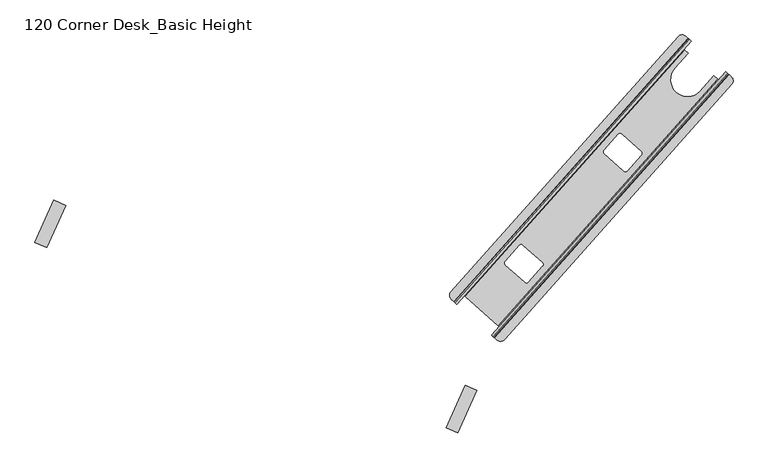
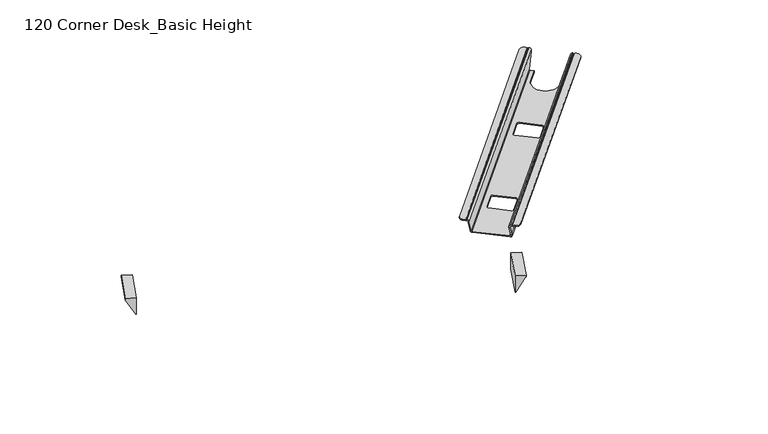
"""IFC4 building model written with IfcOpenShell, lengths in millimetres: furniture geometry, 120 Corner Desk_Basic Height."""

import ifcopenshell
import ifcopenshell.guid

model = None  # the IFC model being written
_history = None  # IfcOwnerHistory: only IFC2X3 demands one
_inside = {}  # id of a spatial element -> (the spatial element, [elements in it])
_under = {}  # id of a project, library or spatial element -> (it, [spatial elements below it])
_declared = {}  # id of a project -> (the project, [libraries it declares])
_typed = {}  # id of a type object -> (the type object, [elements of that type])
_made_of = {}  # id of a material, layer set ... -> (it, [elements and type objects made of it])


def new_model(schema):
    """Start an empty IFC model of exactly this schema.

    Asked for "IFC4X3", IfcOpenShell would pick the latest addendum, in which some entities
    have other attributes; the version numbers below select the first issue.
    IFC2X3 requires an IfcOwnerHistory on every rooted entity: one is made here for all.
    """
    global model, _history
    if schema == "IFC4X3":
        model = ifcopenshell.file(schema_version=(4, 3, 0, 0))
    else:
        model = ifcopenshell.file(schema=schema)
    _inside.clear()
    _under.clear()
    _declared.clear()
    _typed.clear()
    _made_of.clear()
    _history = None
    if model.schema == "IFC2X3":
        org = make("IfcOrganization", Name="unknown")
        user = make(
            "IfcPersonAndOrganization",
            ThePerson=make("IfcPerson", FamilyName="unknown"),
            TheOrganization=org,
        )
        app = make(
            "IfcApplication",
            ApplicationDeveloper=org,
            Version="unknown",
            ApplicationFullName="unknown",
            ApplicationIdentifier="unknown",
        )
        _history = make(
            "IfcOwnerHistory",
            OwningUser=user,
            OwningApplication=app,
            ChangeAction="ADDED",
            CreationDate=0,
        )
    return model


def make(cls, **values):
    """One entity of the class cls with the attributes given. An attribute that is None is left unset."""
    return model.create_entity(
        cls, **{name: value for name, value in values.items() if value is not None}
    )


def rooted(cls, **values):
    """An entity with a GlobalId (a new one), such as an element, a storey or a relation."""
    return make(cls, GlobalId=ifcopenshell.guid.new(), OwnerHistory=_history, **values)


def si_unit(unit_type, name, prefix=None):
    """IfcSIUnit, for example si_unit("LENGTHUNIT", "METRE", prefix="MILLI")."""
    return make("IfcSIUnit", UnitType=unit_type, Prefix=prefix, Name=name)


def assignment(units):
    """IfcUnitAssignment: the units of a project."""
    return None if units is None else make("IfcUnitAssignment", Units=units)


def point(xyz):
    """IfcCartesianPoint."""
    return None if xyz is None else make("IfcCartesianPoint", Coordinates=xyz)


def direction(xyz):
    """IfcDirection."""
    return None if xyz is None else make("IfcDirection", DirectionRatios=xyz)


def frame(location, z_axis=None, x_axis=None):
    """IfcAxis2Placement3D, a coordinate frame: its origin and axes. An axis left out is left unset."""
    return make(
        "IfcAxis2Placement3D",
        Location=point(location),
        Axis=direction(z_axis),
        RefDirection=direction(x_axis),
    )


def frame_2d(location, x_axis=None):
    """IfcAxis2Placement2D, a coordinate frame in the plane: its origin and x axis."""
    return make(
        "IfcAxis2Placement2D", Location=point(location), RefDirection=direction(x_axis)
    )


def origin():
    """The frame at (0, 0, 0) with its axes left unset."""
    return frame((0.0, 0.0, 0.0))


def place(relative_to, where):
    """IfcLocalPlacement: puts the frame where relative to a parent placement (None: the world)."""
    return make(
        "IfcLocalPlacement", PlacementRelTo=relative_to, RelativePlacement=where
    )


def context(
    kind, dimensions, precision=None, world=None, true_north=None, identifier=None
):
    """IfcGeometricRepresentationContext, for example the 3D "Model" context."""
    return make(
        "IfcGeometricRepresentationContext",
        ContextIdentifier=identifier,
        ContextType=kind,
        CoordinateSpaceDimension=dimensions,
        Precision=precision,
        WorldCoordinateSystem=world,
        TrueNorth=true_north,
    )


def project(units=None, contexts=None):
    """IfcProject with its units and contexts."""
    return rooted(
        "IfcProject",
        Name="project",
        RepresentationContexts=contexts,
        UnitsInContext=assignment(units),
    )


def spatial(cls, under=None, at=None, **own):
    """A site, building, storey or space (cls), placed at a placement, below another one or the project."""
    s = rooted(cls, ObjectPlacement=at, **own)
    if under is not None:
        _under.setdefault(under.id(), (under, []))[1].append(s)
    return s


def polyline(points):
    """IfcPolyline through the points."""
    return make("IfcPolyline", Points=[point(p) for p in points])


def circle_curve(where, radius):
    """IfcCircle in the frame where."""
    return make("IfcCircle", Position=where, Radius=radius)


def ellipse_curve(where, semi_axis1, semi_axis2):
    """IfcEllipse in the frame where."""
    return make(
        "IfcEllipse", Position=where, SemiAxis1=semi_axis1, SemiAxis2=semi_axis2
    )


def trimmed(basis, trim1, trim2, sense, master):
    """IfcTrimmedCurve: the piece of a basis curve between two trims."""
    return make(
        "IfcTrimmedCurve",
        BasisCurve=basis,
        Trim1=trim1,
        Trim2=trim2,
        SenseAgreement=sense,
        MasterRepresentation=master,
    )


def segment(curve, same_sense, transition):
    """IfcCompositeCurveSegment."""
    return make(
        "IfcCompositeCurveSegment",
        Transition=transition,
        SameSense=same_sense,
        ParentCurve=curve,
    )


def composite_curve(segments, self_intersect=None):
    """IfcCompositeCurve: segments joined end to end."""
    return make("IfcCompositeCurve", Segments=segments, SelfIntersect=self_intersect)


def outline(outer, holes=None, kind="AREA"):
    """IfcArbitraryClosedProfileDef: a profile drawn as a closed curve; with holes, ...WithVoids."""
    if holes is None:
        return make("IfcArbitraryClosedProfileDef", ProfileType=kind, OuterCurve=outer)
    return make(
        "IfcArbitraryProfileDefWithVoids",
        ProfileType=kind,
        OuterCurve=outer,
        InnerCurves=holes,
    )


def extrude(swept, where, along, depth):
    """IfcExtrudedAreaSolid: the profile swept, set in the frame where, extruded along a direction by depth."""
    return make(
        "IfcExtrudedAreaSolid",
        SweptArea=swept,
        Position=where,
        ExtrudedDirection=direction(along),
        Depth=depth,
    )


def shape(context_of_items, identifier, shape_type, items):
    """IfcShapeRepresentation: the items that make up one representation, for example the "Body"."""
    return make(
        "IfcShapeRepresentation",
        ContextOfItems=context_of_items,
        RepresentationIdentifier=identifier,
        RepresentationType=shape_type,
        Items=items,
    )


def source(mapping_origin, context_of_items, identifier, shape_type, items):
    """IfcRepresentationMap: a shape defined once, which mapped items show again and again."""
    return make(
        "IfcRepresentationMap",
        MappingOrigin=mapping_origin,
        MappedRepresentation=shape(context_of_items, identifier, shape_type, items),
    )


def transform(
    local_origin,
    x_axis=None,
    y_axis=None,
    z_axis=None,
    scale=None,
    scale2=None,
    scale3=None,
    uniform=True,
):
    """IfcCartesianTransformationOperator3D, or its non-uniform kind. x_axis, y_axis, z_axis: its Axis1, 2, 3."""
    if uniform:
        return make(
            "IfcCartesianTransformationOperator3D",
            Axis1=direction(x_axis),
            Axis2=direction(y_axis),
            LocalOrigin=point(local_origin),
            Scale=scale,
            Axis3=direction(z_axis),
        )
    return make(
        "IfcCartesianTransformationOperator3DnonUniform",
        Axis1=direction(x_axis),
        Axis2=direction(y_axis),
        LocalOrigin=point(local_origin),
        Scale=scale,
        Axis3=direction(z_axis),
        Scale2=scale2,
        Scale3=scale3,
    )


def mapped(mapping_source, mapping_target):
    """IfcMappedItem: shows the shape of a source again, moved by a transform."""
    return make(
        "IfcMappedItem", MappingSource=mapping_source, MappingTarget=mapping_target
    )


def made_of(thing, what):
    """Note that an element or type object is made of a material, layer set ...; save() writes the relation."""
    if what is not None:
        _made_of.setdefault(what.id(), (what, []))[1].append(thing)
    return thing


def element(
    cls,
    number,
    at=None,
    inside=None,
    cuts=None,
    type_object=None,
    material=None,
    context=None,
    identifier="Body",
    shape_type=None,
    held_by="IfcProductDefinitionShape",
    body=None,
    shapes=None,
    **own,
):
    """One element of the class cls, such as IfcWall. Its Tag is "e" and its number.

    at: its placement. inside: the storey or other place that contains it. cuts: it is an
    opening in that element (IfcRelVoidsElement). A single representation is given by context,
    identifier, shape_type and body (its items); several are given by shapes. held_by: the class
    of the entity that holds the representations. save() writes the other relations.
    """
    e = rooted(cls, Tag="e%d" % number, ObjectPlacement=at, **own)
    if body is not None:
        shapes = [shape(context, identifier, shape_type, body)]
    if shapes is not None:
        e.Representation = make(held_by, Representations=shapes)
    if inside is not None:
        _inside.setdefault(inside.id(), (inside, []))[1].append(e)
    if cuts is not None:
        rooted(
            "IfcRelVoidsElement", RelatingBuildingElement=cuts, RelatedOpeningElement=e
        )
    if type_object is not None:
        _typed.setdefault(type_object.id(), (type_object, []))[1].append(e)
    return made_of(e, material)


def aggregate(whole, parts):
    """IfcRelAggregates: a whole, such as a stair, and the parts it consists of."""
    return rooted("IfcRelAggregates", RelatingObject=whole, RelatedObjects=parts)


def save(model, path):
    """Write the relations noted so far, then the file.

    IfcRelAggregates (storeys below a building ...), IfcRelContainedInSpatialStructure (elements
    in a storey), IfcRelDefinesByType, IfcRelAssociatesMaterial and IfcRelDeclares: one each for
    every whole, place, type object, material and project.
    """
    for whole, parts in _under.values():
        aggregate(whole, parts)
    for where, things in _inside.values():
        rooted(
            "IfcRelContainedInSpatialStructure",
            RelatedElements=things,
            RelatingStructure=where,
        )
    for kind, things in _typed.values():
        rooted("IfcRelDefinesByType", RelatedObjects=things, RelatingType=kind)
    for what, things in _made_of.values():
        rooted("IfcRelAssociatesMaterial", RelatedObjects=things, RelatingMaterial=what)
    for by, libraries in _declared.values():
        rooted("IfcRelDeclares", RelatingContext=by, RelatedDefinitions=libraries)
    model.write(path)


def plane_surface(at):
    """IfcPlane: the flat surface through the origin of the frame at, square to its z axis."""
    return make("IfcPlane", Position=at)


def cylinder_surface(at, radius):
    """IfcCylindricalSurface: all points at the distance radius from the z axis of the frame at."""
    return make("IfcCylindricalSurface", Position=at, Radius=radius)


def revolved_surface(curve, axis_point, axis_direction):
    """IfcSurfaceOfRevolution: the curve turned about the line through axis_point along axis_direction."""
    return make(
        "IfcSurfaceOfRevolution",
        SweptCurve=make("IfcArbitraryOpenProfileDef", ProfileType="CURVE", Curve=curve),
        AxisPosition=make("IfcAxis1Placement", Location=point(axis_point), Axis=direction(axis_direction)),
    )


def advanced_brep(points, edges, surfaces, faces):
    """IfcAdvancedBrep: a solid bounded by faces that lie on surfaces and meet in shared edges.

    An edge is (start, end): straight between two places in points (the first is 0);
    or (start, end, curve); or (start, end, curve, False) where it runs against its curve.
    A face is (place in surfaces, loops), or (place, loops, False) where it looks against
    its surface's normal. A loop lists edges by number (the first is 1), with a minus sign
    where the edge is run from its end to its start. The first loop is the outer one.
    """
    corners = [point(p) for p in points]
    vertices = [make("IfcVertexPoint", VertexGeometry=c) for c in corners]
    made = []
    for start, end, *more in edges:
        made.append(
            make(
                "IfcEdgeCurve",
                EdgeStart=vertices[start],
                EdgeEnd=vertices[end],
                EdgeGeometry=more[0] if more else make("IfcPolyline", Points=[corners[start], corners[end]]),
                SameSense=more[1] if len(more) > 1 else True,
            )
        )
    hull = []
    for where, loops, *sense in faces:
        bounds = []
        for j, loop in enumerate(loops):
            ring = [make("IfcOrientedEdge", EdgeElement=made[abs(k) - 1], Orientation=k > 0) for k in loop]
            bounds.append(
                make(
                    "IfcFaceOuterBound" if j == 0 else "IfcFaceBound",
                    Bound=make("IfcEdgeLoop", EdgeList=ring),
                    Orientation=True,
                )
            )
        hull.append(make("IfcAdvancedFace", Bounds=bounds, FaceSurface=surfaces[where], SameSense=sense[0] if sense else True))
    return make("IfcAdvancedBrep", Outer=make("IfcClosedShell", CfsFaces=hull))


def furniture_120_corner_desk_basic_height_7b264336(model_context):
    return source(origin(), model_context, "Body", "SolidModel", [
        advanced_brep(
        [(1566.8161363, 39.7550029, 693.6399265), (1566.8161363, 39.7550029, 689.6804247), (1564.5829714, 41.7409496, 689.6804247), (1564.5829714, 41.7409496, 693.5914043), (1568.3790414, 38.3651161, 698.6714043), (1569.6105021, 37.2699819, 698.6714043), (1569.6105021, 37.2699819, 695.6719265), (1568.3345642, 38.4046695, 695.6719265), (1491.7959658, 106.4702115, 693.5914044), (1491.7959658, 106.4702115, 689.6804247), (1489.5628023, 108.456157, 689.6804247), (1489.5628023, 108.456157, 693.6399266), (1488.0443744, 109.8064903, 695.6719264), (1486.4088054, 111.2609969, 695.6719264), (1486.4088054, 111.2609969, 698.6714043), (1487.9998959, 109.846045, 698.6714043), (997.875542, -444.4381952, 693.6399266), (997.875542, -444.4381952, 691.4041642), (1000.1087054, -446.4241407, 691.4041642), (1000.1087054, -446.4241407, 693.5914044), (996.3126355, -443.0483073, 698.6714043), (994.721545, -441.6333553, 698.6714043), (994.721545, -441.6333553, 695.6719264), (996.357114, -443.0878619, 695.6719264), (1072.895711, -511.1534026, 693.5914043), (1072.895711, -511.1534026, 691.4041642), (1075.1288759, -513.1393494, 691.4041642), (1075.1288759, -513.1393494, 693.6399265), (1076.6473039, -514.4896827, 695.6719265), (1077.9232417, -515.6243704, 695.6719265), (1077.9232417, -515.6243704, 698.6714043), (1076.691781, -514.5292361, 698.6714043), (1142.6473917, -399.9494795, 645.6722168), (1101.9991892, -363.4082768, 645.6722168), (1101.9991892, -363.4082768, 648.6513268), (1142.6473917, -399.9494795, 648.6513268), (1101.5992935, -356.2545604, 645.6722168), (1101.5992935, -356.2545604, 648.6513268), (1131.3608318, -322.7881931, 645.6722168), (1131.3608318, -322.7881931, 648.6513268), (1138.553065, -322.3861336, 645.6722168), (1138.553065, -322.3861336, 648.6513268), (1179.3803274, -359.088083, 645.6722168), (1179.3803274, -359.088083, 648.6513268), (1179.7620416, -366.2621568, 645.6722168), (1179.7620416, -366.2621568, 648.6513268), (1149.8214434, -399.5677773, 645.6722168), (1149.8214434, -399.5677773, 648.6513268), (1350.1617613, -166.6029355, 645.6722168), (1309.5135588, -130.0617328, 645.6722168), (1309.5135588, -130.0617328, 648.6513268), (1350.1617613, -166.6029355, 648.6513268), (1309.1136631, -122.9080164, 645.6722168), (1309.1136631, -122.9080164, 648.6513268), (1338.8752014, -89.4416491, 645.6722168), (1338.8752014, -89.4416491, 648.6513268), (1346.0674346, -89.0395895, 645.6722168), (1346.0674346, -89.0395895, 648.6513268), (1386.894697, -125.741539, 645.6722168), (1386.894697, -125.741539, 648.6513268), (1387.2764112, -132.9156128, 645.6722168), (1387.2764112, -132.9156128, 648.6513268), (1357.335813, -166.2212332, 645.6722168), (1357.335813, -166.2212332, 648.6513268), (1551.5891587, 22.7873037, 650.192968), (1546.8987023, 25.7670694, 645.6722168), (1538.9030186, 32.8776066, 645.6722168), (1539.292904, 33.3160264, 648.6513268), (1547.3330649, 26.1659358, 648.6513268), (1549.2800962, 24.840746, 650.192968), (1476.7986169, 89.2983044, 650.192968), (1478.3421294, 87.5193642, 648.6513268), (1485.5401774, 81.1181621, 648.6513268), (1485.150292, 80.6797423, 645.6722168), (1477.9967226, 87.0413898, 645.6722168), (1474.4895557, 91.3517454, 650.192968), (1549.8158986, 25.1356157, 651.1913268), (1552.0754945, 23.1793902, 651.2602168), (1474.8221605, 91.8805443, 651.2602168), (1477.0288931, 89.8648776, 651.1913268), (1511.116621, 1.632253, 648.6513268), (1511.116621, 1.632253, 645.6722168), (1457.3638944, 49.4343887, 645.6722168), (1457.3638944, 49.4343887, 648.6513268), (1018.4221026, -429.742819, 645.6722168), (1013.7638392, -426.7268385, 650.1930164), (1013.2775292, -427.1189103, 651.2602168), (1087.3240823, -491.0171394, 645.6722168), (1090.5308631, -495.8200645, 651.2602168), (1090.8634563, -495.2912928, 650.1930164), (1088.3241291, -493.8043966, 651.1913268), (1086.9998974, -491.4712472, 648.6513268), (1088.5544022, -493.2378579, 650.1930164), (1018.008962, -430.1178188, 648.6513268), (1015.5371236, -429.0751346, 651.1913268), (1016.072892, -428.7802721, 650.1930164)],
        [
            (0, 1),
            (1, 2),
            (2, 3),
            (3, 4, circle_curve(frame((1568.3790414, 38.3651161, 693.5914043), z_axis=(0.6645341594952078, 0.7472578877897494, 0.0), x_axis=(0.7472578877897494, -0.6645341594952078, 0.0)), 5.0799999)),
            (4, 5),
            (5, 6),
            (6, 7),
            (7, 0, circle_curve(frame((1568.3345642, 38.4046695, 693.6399265), z_axis=(-0.6645341594952078, -0.7472578877897494, 0.0), x_axis=(0.7472578877897494, -0.6645341594952078, 0.0)), 2.0319999)),
            (8, 9),
            (9, 10),
            (10, 11),
            (11, 12, circle_curve(frame((1488.0443744, 109.8064903, 693.6399266), z_axis=(-0.6645341594952078, -0.7472578877897494, 0.0), x_axis=(0.7472578877897494, -0.6645341594952078, 0.0)), 2.0319999)),
            (12, 13),
            (13, 14),
            (14, 15),
            (15, 8, circle_curve(frame((1487.9998959, 109.846045, 693.5914044), z_axis=(0.6645341594952078, 0.7472578877897494, 0.0), x_axis=(0.7472578877897494, -0.6645341594952078, 0.0)), 5.0799999)),
            (16, 17),
            (17, 18),
            (18, 19),
            (19, 20, circle_curve(frame((996.3126355, -443.0483073, 693.5914044), z_axis=(-0.6645341594952078, -0.7472578877897494, 0.0), x_axis=(0.7472578877897494, -0.6645341594952078, 0.0)), 5.0799999)),
            (20, 21),
            (21, 22),
            (22, 23),
            (23, 16, circle_curve(frame((996.357114, -443.0878619, 693.6399266), z_axis=(0.6645341594952078, 0.7472578877897494, 0.0), x_axis=(0.7472578877897494, -0.6645341594952078, 0.0)), 2.0319999)),
            (24, 25),
            (25, 26),
            (26, 27),
            (27, 28, circle_curve(frame((1076.6473039, -514.4896827, 693.6399265), z_axis=(0.6645341594952078, 0.7472578877897494, 0.0), x_axis=(0.7472578877897494, -0.6645341594952078, 0.0)), 2.0319999)),
            (28, 29),
            (29, 30),
            (30, 31),
            (31, 24, circle_curve(frame((1076.691781, -514.5292361, 693.5914043), z_axis=(-0.6645341594952078, -0.7472578877897494, 0.0), x_axis=(0.7472578877897494, -0.6645341594952078, 0.0)), 5.0799999)),
            (32, 33),
            (33, 34),
            (34, 35),
            (35, 32),
            (33, 36, circle_curve(frame((1105.3953636, -359.6303939, 645.6722168), z_axis=(0.0, 0.0, -1.0), x_axis=(0.9991385936389271, 0.04149783971758992, 0.0)), 5.08)),
            (36, 37),
            (37, 34, circle_curve(frame((1105.3953636, -359.6303939, 648.6513268), z_axis=(0.0, 0.0, 1.0), x_axis=(0.9991385936389271, 0.04149783971758992, 0.0)), 5.08)),
            (36, 38),
            (38, 39),
            (39, 37),
            (38, 40, circle_curve(frame((1135.1569019, -326.1640267, 645.6722168), z_axis=(0.0, 0.0, -1.0), x_axis=(0.9991385936389271, 0.04149783971758992, 0.0)), 5.08)),
            (40, 41),
            (41, 39, circle_curve(frame((1135.1569019, -326.1640267, 648.6513268), z_axis=(0.0, 0.0, 1.0), x_axis=(0.9991385936389271, 0.04149783971758992, 0.0)), 5.08)),
            (40, 42),
            (42, 43),
            (43, 41),
            (42, 44, circle_curve(frame((1175.9841643, -362.8659761, 645.6722168), z_axis=(0.0, 0.0, -1.0), x_axis=(0.9991385936389271, 0.04149783971758992, 0.0)), 5.08)),
            (44, 45),
            (45, 43, circle_curve(frame((1175.9841643, -362.8659761, 648.6513268), z_axis=(0.0, 0.0, 1.0), x_axis=(0.9991385936389271, 0.04149783971758992, 0.0)), 5.08)),
            (44, 46),
            (46, 47),
            (47, 45),
            (35, 47, circle_curve(frame((1146.0435661, -396.1715966, 648.6513268), z_axis=(0.0, 0.0, 1.0), x_axis=(0.9991385936389271, 0.04149783971758992, 0.0)), 5.08)),
            (46, 32, circle_curve(frame((1146.0435661, -396.1715966, 645.6722168), z_axis=(0.0, 0.0, -1.0), x_axis=(0.9991385936389271, 0.04149783971758992, 0.0)), 5.08)),
            (48, 49),
            (49, 50),
            (50, 51),
            (51, 48),
            (49, 52, circle_curve(frame((1312.9097332, -126.2838499, 645.6722168), z_axis=(0.0, 0.0, -1.0), x_axis=(0.9991385936389271, 0.04149783971758992, 0.0)), 5.08)),
            (52, 53),
            (53, 50, circle_curve(frame((1312.9097332, -126.2838499, 648.6513268), z_axis=(0.0, 0.0, 1.0), x_axis=(0.9991385936389271, 0.04149783971758992, 0.0)), 5.08)),
            (52, 54),
            (54, 55),
            (55, 53),
            (54, 56, circle_curve(frame((1342.6712715, -92.8174826, 645.6722168), z_axis=(0.0, 0.0, -1.0), x_axis=(0.9991385936389271, 0.04149783971758992, 0.0)), 5.08)),
            (56, 57),
            (57, 55, circle_curve(frame((1342.6712715, -92.8174826, 648.6513268), z_axis=(0.0, 0.0, 1.0), x_axis=(0.9991385936389271, 0.04149783971758992, 0.0)), 5.08)),
            (56, 58),
            (58, 59),
            (59, 57),
            (58, 60, circle_curve(frame((1383.4985339, -129.5194321, 645.6722168), z_axis=(0.0, 0.0, -1.0), x_axis=(0.9991385936389271, 0.04149783971758992, 0.0)), 5.08)),
            (60, 61),
            (61, 59, circle_curve(frame((1383.4985339, -129.5194321, 648.6513268), z_axis=(0.0, 0.0, 1.0), x_axis=(0.9991385936389271, 0.04149783971758992, 0.0)), 5.08)),
            (60, 62),
            (62, 63),
            (63, 61),
            (51, 63, circle_curve(frame((1353.5579357, -162.8250525, 648.6513268), z_axis=(0.0, 0.0, 1.0), x_axis=(0.9991385936389271, 0.04149783971758992, 0.0)), 5.08)),
            (62, 48, circle_curve(frame((1353.5579357, -162.8250525, 645.6722168), z_axis=(0.0, 0.0, -1.0), x_axis=(0.9991385936389271, 0.04149783971758992, 0.0)), 5.08)),
            (64, 65, ellipse_curve(frame((1547.6300213, 26.5894257, 651.2602168), z_axis=(0.6520102594141531, 0.7331749652074585, -0.19322808287547327), x_axis=(0.128406661644523, 0.1443912090711886, 0.9811538656032852)), 5.695335, 5.588)),
            (65, 66),
            (66, 67),
            (67, 68),
            (68, 69, ellipse_curve(frame((1547.6654826, 26.5397342, 651.1913268), z_axis=(-0.6520102594141531, -0.7331749652074585, 0.19322808287547327), x_axis=(-0.128406661644523, -0.1443912090711886, -0.9811538656032852)), 2.5887887, 2.54)),
            (69, 64),
            (70, 71, ellipse_curve(frame((1478.6745471, 87.8931626, 651.1913268), z_axis=(-0.6520102594141531, -0.7331749652074585, 0.19322808287547327), x_axis=(-0.128406661644523, -0.1443912090711886, -0.9811538656032852)), 2.5887887, 2.54)),
            (71, 72),
            (72, 73),
            (73, 74),
            (74, 75, ellipse_curve(frame((1478.7280415, 87.8637461, 651.2602168), z_axis=(0.6520102594141531, 0.7331749652074585, -0.19322808287547327), x_axis=(0.128406661644523, 0.1443912090711886, 0.9811538656032852)), 5.695335, 5.588)),
            (75, 70),
            (69, 76, ellipse_curve(frame((1547.9178636, 26.8235325, 651.1913268), z_axis=(-0.5755034638054043, -0.6471443140042407, 0.4999999999999625), x_axis=(-0.3322670797475788, -0.37362894389484663, -0.8660254037844604)), 2.9329394, 2.54)),
            (76, 2),
            (1, 77),
            (77, 64, ellipse_curve(frame((1547.8998174, 26.892807, 651.2602168), z_axis=(0.5755034638054043, 0.6471443140042407, -0.4999999999999625), x_axis=(0.3322670797475788, 0.37362894389484663, 0.8660254037844604)), 6.4524666, 5.588)),
            (75, 78, ellipse_curve(frame((1478.9978376, 88.1671274, 651.2602168), z_axis=(0.5755034638054043, 0.6471443140042407, -0.4999999999999625), x_axis=(0.3322670797475788, 0.37362894389484663, 0.8660254037844604)), 6.4524666, 5.588)),
            (78, 10),
            (9, 79),
            (79, 70, ellipse_curve(frame((1478.9269281, 88.1769609, 651.1913268), z_axis=(-0.5755034638054043, -0.6471443140042407, 0.4999999999999625), x_axis=(-0.3322670797475788, -0.37362894389484663, -0.8660254037844604)), 2.9329394, 2.54)),
            (80, 67),
            (66, 81),
            (81, 80),
            (81, 82, circle_curve(frame((1484.2402577, 25.5333208, 645.6722168), z_axis=(0.0, 0.0, -1.0), x_axis=(0.9991385936389271, 0.04149783971758992, 0.0)), 35.9666505)),
            (82, 83),
            (83, 80, circle_curve(frame((1484.2402577, 25.5333208, 648.6513268), z_axis=(0.0, 0.0, 1.0), x_axis=(0.9991385936389271, 0.04149783971758992, 0.0)), 35.9666505)),
            (82, 73),
            (72, 83),
            (74, 84),
            (84, 85, ellipse_curve(frame((1017.7305929, -430.5204104, 651.2602168), z_axis=(0.6533031993089823, 0.7346288551558441, 0.1830720485084005), x_axis=(0.12165762988259482, 0.13680203228173032, -0.9830994990614825)), 5.6840635, 5.588)),
            (85, 86, ellipse_curve(frame((1017.4532062, -430.8323272, 651.2602168), z_axis=(0.5755034638054098, 0.6471443140042467, 0.4999999999999484), x_axis=(0.3322670797475692, 0.3736289438948363, -0.8660254037844686)), 6.4524666, 5.588)),
            (86, 78),
            (65, 87),
            (87, 84),
            (77, 88),
            (88, 89, ellipse_curve(frame((1086.355186, -492.1066476, 651.2602168), z_axis=(0.5755034638054098, 0.6471443140042467, 0.4999999999999484), x_axis=(0.3322670797475692, 0.3736289438948363, -0.8660254037844686)), 6.4524666, 5.588)),
            (89, 87, ellipse_curve(frame((1086.6325726, -491.7947308, 651.2602168), z_axis=(0.6533031993089823, 0.7346288551558441, 0.1830720485084005), x_axis=(0.12165762988259482, 0.13680203228173032, -0.9830994990614825)), 5.6840635, 5.588)),
            (26, 88),
            (0, 27),
            (7, 28),
            (6, 29),
            (5, 30),
            (4, 31),
            (3, 24),
            (76, 90),
            (90, 25),
            (68, 91),
            (91, 92, ellipse_curve(frame((1086.6855749, -491.8246979, 651.1913268), z_axis=(-0.6533031993089823, -0.7346288551558441, -0.1830720485084005), x_axis=(-0.12165762988259482, -0.13680203228173032, 0.9830994990614825)), 2.5836652, 2.54)),
            (92, 90, ellipse_curve(frame((1086.4260941, -492.1164798, 651.1913268), z_axis=(-0.5755034638054098, -0.6471443140042467, -0.4999999999999484), x_axis=(-0.3322670797475692, -0.3736289438948363, 0.8660254037844686)), 2.9329394, 2.54)),
            (71, 93),
            (93, 91),
            (79, 94),
            (94, 95, ellipse_curve(frame((1017.4351586, -430.7630514, 651.1913268), z_axis=(-0.5755034638054098, -0.6471443140042467, -0.4999999999999484), x_axis=(-0.3322670797475692, -0.3736289438948363, 0.8660254037844686)), 2.9329394, 2.54)),
            (95, 93, ellipse_curve(frame((1017.6946394, -430.4712695, 651.1913268), z_axis=(-0.6533031993089823, -0.7346288551558441, -0.1830720485084005), x_axis=(-0.12165762988259482, -0.13680203228173032, 0.9830994990614825)), 2.5836652, 2.54)),
            (18, 94),
            (8, 19),
            (15, 20),
            (14, 21),
            (13, 22),
            (12, 23),
            (11, 16),
            (86, 17),
            (92, 89),
            (85, 95),
        ],
        [
            plane_surface(frame((1497.9141565, 101.0293233, 651.2602168), z_axis=(0.6645341594952078, 0.7472578877897494, 0.0), x_axis=(0.0, 0.0, 1.0))),
            plane_surface(frame((1006.2268961, -451.865029, 651.2602168), z_axis=(-0.6645341594952078, -0.7472578877897494, 0.0), x_axis=(0.0, 0.0, -1.0))),
            plane_surface(frame((1142.6473917, -399.9494795, 672.2060139), z_axis=(0.6685382702059691, 0.7436777402006938, 0.0), x_axis=(0.0, 0.0, -1.0))),
            revolved_surface(polyline([(1110.4709876556858, -359.41958487423466, 648.6513267999998), (1110.4709876556858, -359.41958487423466, 645.6722167999998)]), (1105.3953636, -359.6303939, 0.0), (0.0, 0.0, 0.9999999999999999)),
            plane_surface(frame((1101.5992935, -356.2545604, 672.2060139), z_axis=(0.7472578877897479, -0.6645341594952097, 0.0), x_axis=(0.0, 0.0, -1.0))),
            revolved_surface(polyline([(1140.2325259556858, -325.9532176742347, 648.6513267999998), (1140.2325259556858, -325.9532176742347, 645.6722167999998)]), (1135.1569019, -326.1640267, 0.0), (0.0, 0.0, 0.9999999999999999)),
            plane_surface(frame((1138.553065, -322.3861336, 672.2060139), z_axis=(-0.6685360411357278, -0.7436797440448196, 0.0), x_axis=(0.0, 0.0, -1.0))),
            revolved_surface(polyline([(1181.0597883556857, -362.65516707423467, 648.6513267999998), (1181.0597883556857, -362.65516707423467, 645.6722167999998)]), (1175.9841643, -362.8659761, 0.0), (0.0, 0.0, 0.9999999999999999)),
            plane_surface(frame((1179.7620416, -366.2621568, 672.2060139), z_axis=(-0.7436766280845355, 0.6685395073148749, 0.0), x_axis=(0.0, 0.0, -1.0))),
            revolved_surface(polyline([(1151.1191901556856, -395.96078757423464, 648.6513267999998), (1151.1191901556856, -395.96078757423464, 645.6722167999998)]), (1146.0435661, -396.1715966, 0.0), (0.0, 0.0, 0.9999999999999999)),
            plane_surface(frame((1350.1617613, -166.6029355, 672.2060139), z_axis=(0.6685382702059671, 0.7436777402006957, 0.0), x_axis=(0.0, 0.0, -1.0))),
            revolved_surface(polyline([(1317.9853572556856, -126.07304087423465, 648.6513267999998), (1317.9853572556856, -126.07304087423465, 645.6722167999998)]), (1312.9097332, -126.2838499, 0.0), (0.0, 0.0, 0.9999999999999999)),
            plane_surface(frame((1309.1136631, -122.9080164, 672.2060139), z_axis=(0.74725788778975, -0.6645341594952071, 0.0), x_axis=(0.0, 0.0, -1.0))),
            revolved_surface(polyline([(1347.7468955556858, -92.60667357423465, 648.6513267999998), (1347.7468955556858, -92.60667357423465, 645.6722167999998)]), (1342.6712715, -92.8174826, 0.0), (0.0, 0.0, 0.9999999999999999)),
            plane_surface(frame((1346.0674346, -89.0395895, 672.2060139), z_axis=(-0.6685360411357273, -0.7436797440448203, 0.0), x_axis=(0.0, 0.0, -1.0))),
            revolved_surface(polyline([(1388.5741579556857, -129.30862307423465, 648.6513267999998), (1388.5741579556857, -129.30862307423465, 645.6722167999998)]), (1383.4985339, -129.5194321, 0.0), (0.0, 0.0, 0.9999999999999999)),
            plane_surface(frame((1387.2764112, -132.9156128, 672.2060139), z_axis=(-0.7436766280845376, 0.6685395073148724, 0.0), x_axis=(0.0, 0.0, -1.0))),
            revolved_surface(polyline([(1358.6335597556856, -162.61424347423466, 648.6513267999998), (1358.6335597556856, -162.61424347423466, 645.6722167999998)]), (1353.5579357, -162.8250525, 0.0), (0.0, 0.0, 0.9999999999999999)),
            plane_surface(frame((1579.3904014, -4.3436054, 641.0586443), z_axis=(0.6520102594141531, 0.7331749652074585, -0.19322808287547327), x_axis=(-0.7472578877897494, 0.6645341594952078, 0.0))),
            plane_surface(frame((1580.5858388, -2.9993554, 650.192968), z_axis=(0.5755034638054044, 0.6471443140042408, -0.4999999999999626), x_axis=(-0.7472578877897494, 0.6645341594952079, 0.0))),
            plane_surface(frame((1542.7650603, 37.2204099, 672.2060139), z_axis=(-0.7472578877897533, 0.6645341594952034, 0.0), x_axis=(0.0, 0.0, -1.0))),
            revolved_surface(polyline([(1520.1759262984729, 27.025859097627574, 648.6513267999998), (1520.1759262984729, 27.025859097627574, 645.6722167999998)]), (1484.2402577, 25.5333208, 0.0), (0.0, 0.0, 0.9999999999999999)),
            plane_surface(frame((1457.3638944, 49.4343887, 672.2060139), z_axis=(0.7472578877897548, -0.6645341594952019, 0.0), x_axis=(0.0, 0.0, -1.0))),
            cylinder_surface(frame((1002.051219, -448.1516121, 651.2602168), z_axis=(0.6645341594952078, 0.7472578877897494, 0.0), x_axis=(0.7472578877897494, -0.6645341594952078, 0.0)), 5.588),
            plane_surface(frame((1493.7384794, 104.7427401, 645.6722168), z_axis=(0.0, 0.0, -1.0), x_axis=(-0.6645341594952076, -0.7472578877897497, 0.0))),
            cylinder_surface(frame((1070.9531988, -509.4259325, 651.2602168), z_axis=(0.6645341594952078, 0.7472578877897494, 0.0), x_axis=(0.7472578877897494, -0.6645341594952078, 0.0)), 5.588),
            plane_surface(frame((1566.8161363, 39.7550029, 651.2602168), z_axis=(0.7472578877897494, -0.6645341594952078, 0.0), x_axis=(-0.6645341594952078, -0.7472578877897494, 0.0))),
            revolved_surface(polyline([(1078.1657318099594, -515.840016094335, 693.6399265), (1569.8529922366329, 37.05433618194422, 693.6399265)]), (1076.6473039, -514.4896827, 693.6399265), (-0.6645341594952078, -0.7472578877897494, 0.0)),
            plane_surface(frame((1568.3345642, 38.4046695, 695.6719265), z_axis=(0.0, 0.0, -1.0), x_axis=(-0.6645341594952078, -0.7472578877897494, 0.0))),
            plane_surface(frame((1569.6105021, 37.2699819, 695.6719265), z_axis=(0.7472578877897496, -0.6645341594952078, 0.0), x_axis=(-0.6645341594952078, -0.7472578877897496, 0.0))),
            plane_surface(frame((1569.6105021, 37.2699819, 698.6714043), z_axis=(0.0, 0.0, 1.0000000000000002), x_axis=(-0.6645341594952078, -0.7472578877897496, 0.0))),
            cylinder_surface(frame((1076.691781, -514.5292361, 693.5914043), z_axis=(0.6645341594952078, 0.7472578877897494, 0.0), x_axis=(0.7472578877897494, -0.6645341594952078, 0.0)), 5.0799999),
            plane_surface(frame((1564.5829714, 41.7409496, 693.5914043), z_axis=(-0.7472578877897493, 0.664534159495208, 0.0), x_axis=(-0.664534159495208, -0.7472578877897493, 0.0))),
            revolved_surface(polyline([(1087.3496099185008, -494.9002276094485, 651.1913268), (1550.7904178325155, 26.23144679607003, 651.1913268)]), (1070.9976759, -509.4654859, 651.1913268), (-0.6645341594952078, -0.7472578877897494, 0.0)),
            plane_surface(frame((1562.6849363, 43.4288664, 648.6513268), z_axis=(0.0, 0.0, 1.0000000000000002), x_axis=(-0.6645341594952079, -0.7472578877897494, 0.0))),
            revolved_surface(polyline([(1018.3586744743402, -433.5467992591063, 651.1913268), (1481.7994823883548, 87.58487514641229, 651.1913268)]), (1002.0067405, -448.1120575, 651.1913268), (-0.6645341594952078, -0.7472578877897494, 0.0)),
            plane_surface(frame((1491.7959658, 106.4702115, 651.1913268), z_axis=(0.7472578877897496, -0.6645341594952078, 0.0), x_axis=(-0.6645341594952078, -0.7472578877897496, 0.0))),
            cylinder_surface(frame((996.3126355, -443.0483073, 693.5914044), z_axis=(0.6645341594952078, 0.7472578877897494, 0.0), x_axis=(0.7472578877897494, -0.6645341594952078, 0.0)), 5.0799999),
            plane_surface(frame((1487.9998959, 109.846045, 698.6714043), z_axis=(-1.0450907311748767e-11, 9.293959983369685e-12, 1.0), x_axis=(-0.6645341594952077, -0.7472578877897496, 0.0))),
            plane_surface(frame((1486.4088054, 111.2609969, 698.6714043), z_axis=(-0.7472578877897493, 0.664534159495208, 0.0), x_axis=(-0.664534159495208, -0.7472578877897493, 0.0))),
            plane_surface(frame((1486.4088054, 111.2609969, 695.6719264), z_axis=(0.0, 0.0, -1.0), x_axis=(-0.664534159495208, -0.7472578877897493, 0.0))),
            revolved_surface(polyline([(997.875541953263, -444.4381952456408, 693.6399266), (1489.5628023302786, 108.45615697479889, 693.6399266)]), (996.357114, -443.0878619, 693.6399266), (-0.6645341594952078, -0.7472578877897494, 0.0)),
            plane_surface(frame((1489.5628023, 108.456157, 693.6399266), z_axis=(-0.7472578877897497, 0.6645341594952076, 0.0), x_axis=(-0.6645341594952076, -0.7472578877897497, 0.0))),
            plane_surface(frame((1094.457626, -535.9432006, 698.6714043), z_axis=(-0.57550346380541, -0.6471443140042468, -0.4999999999999485), x_axis=(-0.7472578877897493, 0.664534159495208, 0.0))),
            plane_surface(frame((1113.0572794, -515.0281919, 650.1930164), z_axis=(-0.6533031993089824, -0.7346288551558442, -0.18307204850840053), x_axis=(-0.7472578877897493, 0.664534159495208, 0.0))),
        ],
        [
            (0, [[1, 2, 3, 4, 5, 6, 7, 8]]),
            (0, [[9, 10, 11, 12, 13, 14, 15, 16]]),
            (1, [[17, 18, 19, 20, 21, 22, 23, 24]]),
            (1, [[25, 26, 27, 28, 29, 30, 31, 32]]),
            (2, [[33, 34, 35, 36]]),
            (3, [[37, 38, 39, -34]]),
            (4, [[40, 41, 42, -38]]),
            (5, [[43, 44, 45, -41]]),
            (6, [[46, 47, 48, -44]]),
            (7, [[49, 50, 51, -47]]),
            (8, [[52, 53, 54, -50]]),
            (9, [[55, -53, 56, -36]]),
            (10, [[57, 58, 59, 60]]),
            (11, [[61, 62, 63, -58]]),
            (12, [[64, 65, 66, -62]]),
            (13, [[67, 68, 69, -65]]),
            (14, [[70, 71, 72, -68]]),
            (15, [[73, 74, 75, -71]]),
            (16, [[76, 77, 78, -74]]),
            (17, [[79, -77, 80, -60]]),
            (18, [[81, 82, 83, 84, 85, 86]]),
            (18, [[87, 88, 89, 90, 91, 92]]),
            (19, [[93, 94, -2, 95, 96, -86]]),
            (19, [[97, 98, -10, 99, 100, -92]]),
            (20, [[101, -83, 102, 103]]),
            (21, [[104, 105, 106, -103]]),
            (22, [[107, -89, 108, -105]]),
            (23, [[109, 110, 111, 112, -97, -91]]),
            (24, [[113, 114, -109, -90, -107, -104, -102, -82], [-56, -52, -49, -46, -43, -40, -37, -33], [-80, -76, -73, -70, -67, -64, -61, -57]]),
            (25, [[-96, 115, 116, 117, -113, -81]]),
            (26, [[-27, 118, -115, -95, -1, 119]]),
            (27, [[120, -28, -119, -8]]),
            (28, [[121, -29, -120, -7]]),
            (29, [[122, -30, -121, -6]]),
            (30, [[123, -31, -122, -5]]),
            (31, [[124, -32, -123, -4]]),
            (32, [[-3, -94, 125, 126, -25, -124]]),
            (33, [[127, 128, 129, -125, -93, -85]]),
            (34, [[-101, -106, -108, -88, 130, 131, -127, -84], [-39, -42, -45, -48, -51, -54, -55, -35], [-63, -66, -69, -72, -75, -78, -79, -59]]),
            (35, [[-100, 132, 133, 134, -130, -87]]),
            (36, [[-19, 135, -132, -99, -9, 136]]),
            (37, [[137, -20, -136, -16]]),
            (38, [[138, -21, -137, -15]]),
            (39, [[139, -22, -138, -14]]),
            (40, [[140, -23, -139, -13]]),
            (41, [[141, -24, -140, -12]]),
            (42, [[-11, -98, -112, 142, -17, -141]]),
            (43, [[-116, -118, -26, -126, -129, 143]]),
            (43, [[-133, -135, -18, -142, -111, 144]]),
            (44, [[-128, -131, -134, -144, -110, -114, -117, -143]]),
        ],
    ),
        advanced_brep(
        [(1571.5363408, 35.5573394, 698.6714043), (1079.8490804, -517.3370128, 698.6714043), (1084.2210335, -521.2249774, 698.6714043), (1100.3578166, -520.2794452, 698.6714043), (1576.8538261, 15.5325918, 698.6714043), (1575.9082939, 31.6693749, 698.6714043), (1571.5363408, 35.5573394, 695.6719265), (1575.9082939, 31.6693749, 695.6719265), (1576.8538261, 15.5325918, 695.6719265), (1100.3578166, -520.2794452, 695.6719265), (1084.2210335, -521.2249774, 695.6719265), (1079.8490804, -517.3370128, 695.6719265)],
        [
            (0, 1),
            (1, 2),
            (2, 3, circle_curve(frame((1091.8166589, -512.6838197, 698.6714043), z_axis=(0.0, 0.0, 1.0), x_axis=(0.9991385936389271, 0.04149783971758992, 0.0)), 11.43)),
            (3, 4),
            (4, 5, circle_curve(frame((1568.3126684, 23.1282172, 698.6714043), z_axis=(0.0, 0.0, 1.0), x_axis=(0.9991385936389271, 0.04149783971758992, 0.0)), 11.43)),
            (5, 0),
            (6, 7),
            (7, 8, circle_curve(frame((1568.3126684, 23.1282172, 695.6719265), z_axis=(0.0, 0.0, -1.0), x_axis=(0.9991385936389271, 0.04149783971758992, 0.0)), 11.43)),
            (8, 9),
            (9, 10, circle_curve(frame((1091.8166589, -512.6838197, 695.6719265), z_axis=(0.0, 0.0, -1.0), x_axis=(0.9991385936389271, 0.04149783971758992, 0.0)), 11.43)),
            (10, 11),
            (11, 6),
            (5, 7),
            (6, 0),
            (4, 8),
            (3, 9),
            (2, 10),
            (1, 11),
        ],
        [
            plane_surface(frame((1571.5363408, 35.5573394, 698.6714043), z_axis=(0.0, 0.0, 1.0), x_axis=(0.7472578877897368, -0.6645341594952221, 0.0))),
            plane_surface(frame((1571.5363408, 35.5573394, 695.6719265), z_axis=(0.0, 0.0, -1.0), x_axis=(-0.7472578877897368, 0.6645341594952221, 0.0))),
            plane_surface(frame((1571.5363408, 35.5573394, 698.6714043), z_axis=(0.6645341594952221, 0.7472578877897368, 0.0), x_axis=(0.0, 0.0, -1.0))),
            cylinder_surface(frame((1568.3126684, 23.1282172, 695.6719265), z_axis=(0.0, 0.0, 0.9999999999999999), x_axis=(0.9991385936389271, 0.04149783971758992, 0.0)), 11.43),
            plane_surface(frame((1576.8538261, 15.5325918, 698.6714043), z_axis=(0.7472578877897549, -0.6645341594952018, 0.0), x_axis=(0.0, 0.0, -1.0))),
            cylinder_surface(frame((1091.8166589, -512.6838197, 695.6719265), z_axis=(0.0, 0.0, 0.9999999999999999), x_axis=(0.9991385936389271, 0.04149783971758992, 0.0)), 11.43),
            plane_surface(frame((1084.2210335, -521.2249774, 698.6714043), z_axis=(-0.664534159495206, -0.7472578877897511, 0.0), x_axis=(0.0, 0.0, -1.0))),
            plane_surface(frame((1079.8490804, -517.3370128, 698.6714043), z_axis=(-0.7472578877897529, 0.664534159495204, 0.0), x_axis=(0.0, 0.0, -1.0))),
        ],
        [
            (0, [[1, 2, 3, 4, 5, 6]]),
            (1, [[7, 8, 9, 10, 11, 12]]),
            (2, [[13, -7, 14, -6]]),
            (3, [[15, -8, -13, -5]]),
            (4, [[16, -9, -15, -4]]),
            (5, [[17, -10, -16, -3]]),
            (6, [[18, -11, -17, -2]]),
            (7, [[-14, -12, -18, -1]]),
        ],
    ),
        advanced_brep(
        [(1484.8426852, 112.6537428, 698.6714043), (1480.3475919, 116.6512156, 698.6714043), (1464.2108088, 115.7056834, 698.6714043), (987.7147993, -420.1063536, 698.6714043), (988.6603315, -436.2431367, 698.6714043), (993.1554248, -440.2406094, 698.6714043), (1484.8426852, 112.6537428, 695.6719265), (993.1554248, -440.2406094, 695.6719265), (988.6603315, -436.2431367, 695.6719265), (987.7147993, -420.1063536, 695.6719265), (1464.2108088, 115.7056834, 695.6719265), (1480.3475919, 116.6512156, 695.6719265)],
        [
            (0, 1),
            (1, 2, circle_curve(frame((1472.7519664, 108.1100579, 698.6714043), z_axis=(0.0, 0.0, 1.0), x_axis=(0.9991385936389271, 0.04149783971758992, 0.0)), 11.43)),
            (2, 3),
            (3, 4, circle_curve(frame((996.2559569, -427.701979, 698.6714043), z_axis=(0.0, 0.0, 1.0), x_axis=(0.9991385936389271, 0.04149783971758992, 0.0)), 11.43)),
            (4, 5),
            (5, 0),
            (6, 7),
            (7, 8),
            (8, 9, circle_curve(frame((996.2559569, -427.701979, 695.6719265), z_axis=(0.0, 0.0, -1.0), x_axis=(0.9991385936389271, 0.04149783971758992, 0.0)), 11.43)),
            (9, 10),
            (10, 11, circle_curve(frame((1472.7519664, 108.1100579, 695.6719265), z_axis=(0.0, 0.0, -1.0), x_axis=(0.9991385936389271, 0.04149783971758992, 0.0)), 11.43)),
            (11, 6),
            (5, 7),
            (6, 0),
            (4, 8),
            (3, 9),
            (2, 10),
            (1, 11),
        ],
        [
            plane_surface(frame((1571.5363408, 35.5573394, 698.6714043), z_axis=(0.0, 0.0, 1.0), x_axis=(0.7472578877897368, -0.6645341594952221, 0.0))),
            plane_surface(frame((1571.5363408, 35.5573394, 695.6719265), z_axis=(0.0, 0.0, -1.0), x_axis=(-0.7472578877897368, 0.6645341594952221, 0.0))),
            plane_surface(frame((1484.8426852, 112.6537428, 698.6714043), z_axis=(0.7472578877897476, -0.6645341594952099, 0.0), x_axis=(0.0, 0.0, -1.0))),
            plane_surface(frame((993.1554248, -440.2406094, 698.6714043), z_axis=(-0.6645341594951764, -0.7472578877897774, 0.0), x_axis=(0.0, 0.0, -1.0))),
            cylinder_surface(frame((996.2559569, -427.701979, 0.0), z_axis=(0.0, 0.0, 0.9999999999999999), x_axis=(0.9991385936389271, 0.04149783971758992, 0.0)), 11.43),
            plane_surface(frame((987.7147993, -420.1063536, 698.6714043), z_axis=(-0.7472578877897454, 0.6645341594952124, 0.0), x_axis=(0.0, 0.0, -1.0))),
            cylinder_surface(frame((1472.7519664, 108.1100579, 0.0), z_axis=(0.0, 0.0, 0.9999999999999999), x_axis=(0.9991385936389271, 0.04149783971758992, 0.0)), 11.43),
            plane_surface(frame((1480.3475919, 116.6512156, 698.6714043), z_axis=(0.6645341594952152, 0.7472578877897429, 0.0), x_axis=(0.0, 0.0, -1.0))),
        ],
        [
            (0, [[1, 2, 3, 4, 5, 6]]),
            (1, [[7, 8, 9, 10, 11, 12]]),
            (2, [[13, -7, 14, -6]]),
            (3, [[15, -8, -13, -5]]),
            (4, [[16, -9, -15, -4]]),
            (5, [[17, -10, -16, -3]]),
            (6, [[18, -11, -17, -2]]),
            (7, [[-14, -12, -18, -1]]),
        ],
    ),
        extrude(outline(composite_curve([segment(polyline([(0.7180342, 0.192772), (-42.6124132, -24.8804385)]), True, "CONTINUOUS"), segment(trimmed(circle_curve(frame_2d((-43.410079, -23.5019467)), 1.5926425), [point((-42.6124132, -24.8804385))], [point((-43.410079, -25.0945892))], False, "CARTESIAN"), True, "CONTINUOUS"), segment(polyline([(-43.410079, -25.0945892), (-47.0805508, -25.0945892), (-47.0805508, 1.5820997), (1.4259413, 1.5820997)]), True, "CONTINUOUS"), segment(trimmed(circle_curve(frame_2d((0.0, 1.433648)), 1.433648), [point((1.4259413, 1.5820997))], [point((0.7180342, 0.192772))], False, "CARTESIAN"), True, "CONTINUOUS")], self_intersect=False)), frame((979.1649934, -706.1125373, 651.5908535), z_axis=(0.41074125966516173, 0.9117519496050865, 0.0), x_axis=(0.0, 0.0, -1.0)), (0.0, 0.0, 1.0), 97.4054697),
        extrude(outline(composite_curve([segment(trimmed(circle_curve(frame_2d((-50.0618973, 1.433648)), 1.433648), [point((-50.0618972, 1e-07))], [point((-51.370454, 0.8479641))], False, "CARTESIAN"), True, "CONTINUOUS"), segment(polyline([(-51.370454, 0.8479641), (-9.386268, 25.1421588), (3.9745966, 2.0524853), (0.7976658, 0.2141508)]), True, "CONTINUOUS"), segment(trimmed(circle_curve(frame_2d((1e-07, 1.5926425)), 1.5926425), [point((0.7976658, 0.2141508))], [point((0.0, 0.0))], False, "CARTESIAN"), True, "CONTINUOUS"), segment(polyline([(0.0, 0.0), (-50.0618972, 1e-07)]), True, "CONTINUOUS")], self_intersect=False)), frame((114.8556818, -316.74399, 694.2032667), z_axis=(0.4107413293211856, 0.9117519182252735, 0.0), x_axis=(-0.4566456509090524, 0.20571740835842098, 0.8655374615833462)), (0.0, 0.0, 1.0), 97.4054697),
    ])


if __name__ == "__main__":
    model = new_model("IFC4")
    model_context = context("Model", 3, world=origin())
    ifc_project = project(units=[si_unit("LENGTHUNIT", "METRE", prefix="MILLI")], contexts=[model_context])
    site = spatial("IfcSite", under=ifc_project)
    building = spatial("IfcBuilding", under=site)
    placement = place(None, origin())
    furniture_120_corner_desk_basic_height_shape = furniture_120_corner_desk_basic_height_7b264336(model_context)
    element("IfcFurniture", 1, ObjectType="120 Corner Desk_Basic Height", at=placement, inside=building, context=model_context, shape_type="MappedRepresentation", body=[
        mapped(furniture_120_corner_desk_basic_height_shape, transform((0.0, 0.0, 0.0), x_axis=(1.0, 0.0, 0.0), y_axis=(0.0, 1.0, 0.0), z_axis=(0.0, 0.0, 1.0))),
    ])
    save(model, "model.ifc")
